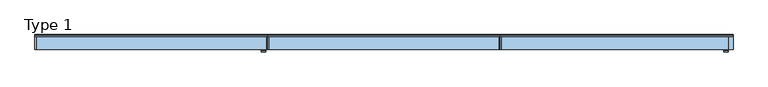
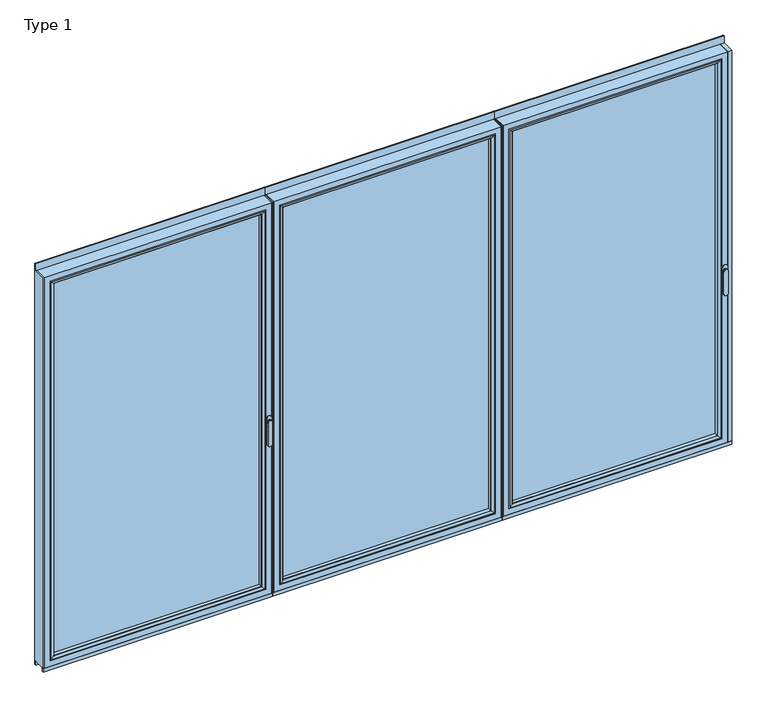
"""IFC4 building model written with IfcOpenShell, lengths in millimetres: window geometry, Type 1."""

from ifc_helpers import new_model, si_unit, point, frame, frame_2d, origin, place, context, project, spatial, polyline, circle_curve, ellipse_curve, trimmed, segment, composite_curve, outline, extrude, source, transform, mapped, element, save
from ifc_brep_helpers import plane_surface, cylinder_surface, extruded_surface, advanced_brep


def type_1_0e2c6d92(model_context):
    return source(origin(), model_context, "Body", "SolidModel", [
        advanced_brep(
        [(1855.5113692, -63.5, 1050.0), (1879.4886308, -63.5, 1050.0), (1879.4886308, -66.8965533, 1050.0), (1855.5113692, -66.8965533, 1050.0), (1855.5113692, -74.5, 1050.0), (1855.5113692, -74.5, 918.6867153), (1879.4886308, -74.5, 918.6867153), (1879.4886308, -74.5, 1050.0), (1879.4886308, -66.8965533, 918.6867153), (1855.5113692, -66.8965533, 918.6867153)],
        [
            (0, 1, circle_curve(frame((1867.5, -63.5, 1050.0), z_axis=(0.0, 1.0, 0.0), x_axis=(1.0, 0.0, 0.0)), 11.9886308)),
            (1, 0, circle_curve(frame((1867.5, -63.5, 1050.0), z_axis=(0.0, 1.0, 0.0), x_axis=(1.0, 0.0, 0.0)), 11.9886308)),
            (1, 2),
            (2, 3, circle_curve(frame((1867.5, -66.8965533, 1050.0), z_axis=(0.0, 1.0, 0.0), x_axis=(1.0, 0.0, 0.0)), 11.9886308)),
            (3, 0),
            (3, 2, circle_curve(frame((1867.5, -66.8965533, 1050.0), z_axis=(0.0, 1.0, 0.0), x_axis=(1.0, 0.0, 0.0)), 11.9886308)),
            (4, 5),
            (5, 6, ellipse_curve(frame((1867.5, -74.5, 918.6867153), z_axis=(0.0, -1.0, 0.0), x_axis=(-1.0, 0.0, 0.0)), 11.9886308, 7.9050795)),
            (6, 7),
            (7, 4, circle_curve(frame((1867.5, -74.5, 1050.0), z_axis=(0.0, -1.0, 0.0), x_axis=(1.0, 0.0, 0.0)), 11.9886308)),
            (2, 8),
            (8, 9, ellipse_curve(frame((1867.5, -66.8965533, 918.6867153), z_axis=(0.0, 1.0, 0.0), x_axis=(-1.0, 0.0, 0.0)), 11.9886308, 7.9050795)),
            (9, 3),
            (4, 3),
            (9, 5),
            (8, 6),
            (2, 7),
        ],
        [
            plane_surface(frame((1879.4886308, -63.5, 1050.0), z_axis=(0.0, 1.0, 0.0), x_axis=(0.0, 0.0, -1.0))),
            cylinder_surface(frame((1867.5, -63.5, 1050.0), z_axis=(0.0, -1.0, 0.0), x_axis=(1.0, 0.0, 0.0)), 11.9886308),
            plane_surface(frame((1855.5113692, -74.5, 928.3382074), z_axis=(0.0, -1.0, 0.0), x_axis=(0.0, 0.0, -1.0))),
            plane_surface(frame((1855.5113692, -66.8965533, 928.3382074), z_axis=(0.0, 1.0, 0.0), x_axis=(0.0, 0.0, 1.0))),
            plane_surface(frame((1855.5113692, -74.5, 1050.0), z_axis=(-1.0, 0.0, 0.0), x_axis=(0.0, 1.0, 0.0))),
            extruded_surface(trimmed(ellipse_curve(frame((1867.5, -59.2931066, 918.6867153), z_axis=(0.0, -1.0, 0.0), x_axis=(-1.0, 0.0, 0.0)), 11.9886308, 7.9050795), [point((1855.5113692, -59.2931066, 918.6867153))], [point((1879.4886308, -59.2931066, 918.6867153))], True, "CARTESIAN"), (0.0, -7.603446699999992, 0.0), 7.603446699999992),
            plane_surface(frame((1879.4886308, -74.5, 918.6867153), z_axis=(1.0, 0.0, 0.0), x_axis=(0.0, 1.0, 0.0))),
            cylinder_surface(frame((1867.5, -66.8965533, 1050.0), z_axis=(0.0, -1.0, 0.0), x_axis=(1.0, 0.0, 0.0)), 11.9886308),
        ],
        [
            (0, [[1, 2]]),
            (1, [[-2, 3, 4, 5]]),
            (1, [[-1, -5, 6, -3]]),
            (2, [[7, 8, 9, 10]]),
            (3, [[11, 12, 13, -4]]),
            (4, [[-7, 14, -13, 15]]),
            (5, [[-8, -15, -12, 16]]),
            (6, [[-9, -16, -11, 17]]),
            (7, [[-10, -17, -6, -14]]),
        ],
    ),
        extrude(outline(composite_curve([segment(polyline([(1068.75, 1853.5), (1031.25, 1853.5)]), True, "CONTINUOUS"), segment(trimmed(circle_curve(frame_2d((1031.25, 1867.5)), 14.0), [point((1031.25, 1853.5))], [point((1031.25, 1881.5))], False, "CARTESIAN"), True, "CONTINUOUS"), segment(polyline([(1031.25, 1881.5), (1068.75, 1881.5)]), True, "CONTINUOUS"), segment(trimmed(circle_curve(frame_2d((1068.75, 1867.5)), 14.0), [point((1068.75, 1881.5))], [point((1068.75, 1853.5))], False, "CARTESIAN"), True, "CONTINUOUS")], self_intersect=False)), frame((0.0, -63.5, 0.0), z_axis=(0.0, 1.0, 0.0), x_axis=(0.0, 0.0, 1.0)), (0.0, 0.0, 1.0), 3.5),
        extrude(outline(polyline([(635.3333333, 20.0), (641.3333333, 20.0), (641.3333333, -60.0), (635.3333333, -60.0), (635.3333333, 20.0)])), frame((0.0, 0.0, 37.5), z_axis=(0.0, 0.0, 1.0), x_axis=(1.0, 0.0, 0.0)), (0.0, 0.0, 1.0), 2286.5),
        extrude(outline(polyline([(1906.0, 20.0), (1906.0, -60.0), (1883.5, -60.0), (1883.5, 20.0), (1906.0, 20.0)])), frame((0.0, 0.0, 37.5), z_axis=(0.0, 0.0, 1.0), x_axis=(1.0, 0.0, 0.0)), (0.0, 0.0, 1.0), 2286.5),
        advanced_brep(
        [(641.3333333, -60.0, 2324.0), (641.3333333, 20.0, 2324.0), (641.3333333, 20.0, 37.5), (641.3333333, -60.0, 37.5), (1883.5, 20.0, 37.5), (1883.5, -60.0, 37.5), (1883.5, 20.0, 2324.0), (1838.0003707, 20.0, 82.9996293), (1838.0003707, 20.0, 2278.5003707), (686.8329626, 20.0, 2278.5003707), (686.8329626, 20.0, 82.9996293), (1883.5, -60.0, 2324.0), (673.3333333, -60.0, 69.5), (673.3333333, -60.0, 2292.0), (1851.5, -60.0, 2292.0), (1851.5, -60.0, 69.5), (673.3333333, 3.9999997, 2292.0), (673.3333333, 3.9999997, 69.5), (1851.5, 3.9999997, 69.5), (1851.5, 3.9999997, 2292.0), (691.3333453, 3.9999997, 87.500012), (691.3333453, 3.9999997, 2273.999988), (1833.499988, 3.9999997, 2273.999988), (1833.499988, 3.9999997, 87.500012), (691.3333453, 15.4995565, 2273.999988), (691.3333453, 15.4995565, 87.500012), (1833.499988, 15.4995565, 87.500012), (1833.499988, 15.4995565, 2273.999988)],
        [
            (0, 1),
            (1, 2),
            (2, 3),
            (3, 0),
            (2, 4),
            (4, 5),
            (5, 3),
            (1, 6),
            (6, 4),
            (7, 8),
            (8, 9),
            (9, 10),
            (10, 7),
            (6, 11),
            (11, 5),
            (11, 0),
            (12, 13),
            (13, 14),
            (14, 15),
            (15, 12),
            (16, 13),
            (12, 17),
            (17, 16),
            (15, 18),
            (18, 17),
            (14, 19),
            (19, 18),
            (19, 16),
            (20, 21),
            (21, 22),
            (22, 23),
            (23, 20),
            (24, 21),
            (20, 25),
            (25, 24),
            (23, 26),
            (26, 25),
            (22, 27),
            (27, 26),
            (10, 25, ellipse_curve(frame((686.8329626, 15.4995565, 82.9996293), z_axis=(0.7071067811865475, 0.0, -0.7071067811865475), x_axis=(-0.7071067811865476, 0.0, -0.7071067811865474)), 6.3645023, 4.5003827)),
            (26, 7, ellipse_curve(frame((1838.0003707, 15.4995565, 82.9996293), z_axis=(-0.7071067811865475, 0.0, -0.7071067811865475), x_axis=(-0.7071067811865476, 0.0, 0.7071067811865474)), 6.3645023, 4.5003827)),
            (9, 24, ellipse_curve(frame((686.8329626, 15.4995565, 2278.5003707), z_axis=(-0.7071067811865475, 0.0, -0.7071067811865475), x_axis=(-0.7071067811865474, 0.0, 0.7071067811865476)), 6.3645023, 4.5003827)),
            (27, 8, ellipse_curve(frame((1838.0003707, 15.4995565, 2278.5003707), z_axis=(0.7071067811865475, 0.0, -0.7071067811865475), x_axis=(-0.7071067811865474, 0.0, -0.7071067811865476)), 6.3645023, 4.5003827)),
            (24, 27),
        ],
        [
            plane_surface(frame((641.3333333, 20.0, 2324.0), z_axis=(-1.0, 0.0, 0.0), x_axis=(0.0, 0.0, -1.0))),
            plane_surface(frame((641.3333333, 20.0, 37.5), z_axis=(0.0, 0.0, -1.0), x_axis=(1.0, 0.0, 0.0))),
            plane_surface(frame((686.8329626, 20.0, 2278.5003707), z_axis=(0.0, 1.0, 0.0), x_axis=(0.0, 0.0, -1.0))),
            plane_surface(frame((1883.5, 20.0, 37.5), z_axis=(1.0, 0.0, 0.0), x_axis=(0.0, 0.0, 1.0))),
            plane_surface(frame((641.3333333, -60.0, 2324.0), z_axis=(0.0, -1.0, 0.0), x_axis=(0.0, 0.0, -1.0))),
            plane_surface(frame((673.3333333, -60.0, 2292.0), z_axis=(1.0, 0.0, 0.0), x_axis=(0.0, 0.0, -1.0))),
            plane_surface(frame((673.3333333, -60.0, 69.5), z_axis=(0.0, 0.0, 1.0), x_axis=(1.0, 0.0, 0.0))),
            plane_surface(frame((1851.5, -60.0, 69.5), z_axis=(-1.0, 0.0, 0.0), x_axis=(0.0, 0.0, 1.0))),
            plane_surface(frame((673.3333333, 3.9999997, 2292.0), z_axis=(0.0, -1.0, 0.0), x_axis=(0.0, 0.0, -1.0))),
            plane_surface(frame((691.3333453, 3.9999997, 2273.999988), z_axis=(1.0, 0.0, 0.0), x_axis=(0.0, 0.0, -1.0))),
            plane_surface(frame((691.3333453, 3.9999997, 87.500012), z_axis=(0.0, 0.0, 1.0), x_axis=(1.0, 0.0, 0.0))),
            plane_surface(frame((1833.499988, 3.9999997, 87.500012), z_axis=(-1.0, 0.0, 0.0), x_axis=(0.0, 0.0, 1.0))),
            cylinder_surface(frame((635.3333333, 15.4995565, 82.9996293), z_axis=(-1.0, 0.0, 0.0), x_axis=(0.0, -1.0, 0.0)), 4.5003827),
            cylinder_surface(frame((686.8329626, 15.4995565, 2330.0), z_axis=(0.0, 0.0, 1.0), x_axis=(0.0, -1.0, 0.0)), 4.5003827),
            cylinder_surface(frame((1838.0003707, 15.4995565, 31.5), z_axis=(0.0, 0.0, -1.0), x_axis=(0.0, -1.0, 0.0)), 4.5003827),
            plane_surface(frame((1883.5, 20.0, 2324.0), z_axis=(0.0, 0.0, 1.0), x_axis=(-1.0, 0.0, 0.0))),
            plane_surface(frame((1851.5, -60.0, 2292.0), z_axis=(0.0, 0.0, -1.0), x_axis=(-1.0, 0.0, 0.0))),
            plane_surface(frame((1833.499988, 3.9999997, 2273.999988), z_axis=(0.0, 0.0, -1.0), x_axis=(-1.0, 0.0, 0.0))),
            cylinder_surface(frame((1889.5, 15.4995565, 2278.5003707), z_axis=(1.0, 0.0, 0.0), x_axis=(0.0, -1.0, 0.0)), 4.5003827),
        ],
        [
            (0, [[1, 2, 3, 4]]),
            (1, [[-3, 5, 6, 7]]),
            (2, [[-2, 8, 9, -5], [10, 11, 12, 13]]),
            (3, [[-6, -9, 14, 15]]),
            (4, [[-15, 16, -4, -7], [17, 18, 19, 20]]),
            (5, [[21, -17, 22, 23]]),
            (6, [[-22, -20, 24, 25]]),
            (7, [[-24, -19, 26, 27]]),
            (8, [[-27, 28, -23, -25], [29, 30, 31, 32]]),
            (9, [[33, -29, 34, 35]]),
            (10, [[-34, -32, 36, 37]]),
            (11, [[-36, -31, 38, 39]]),
            (12, [[40, -37, 41, -13]]),
            (13, [[42, -35, -40, -12]]),
            (14, [[-41, -39, 43, -10]]),
            (15, [[-14, -8, -1, -16]]),
            (16, [[-26, -18, -21, -28]]),
            (17, [[-38, -30, -33, 44]]),
            (18, [[-43, -44, -42, -11]]),
        ],
    ),
        extrude(outline(polyline([(673.3336505, 3.9999997), (1851.4996828, 3.9999997), (1851.4996828, -34.0000003), (673.3336505, -34.0000003), (673.3336505, 3.9999997)])), frame((0.0, 0.0, 69.5003172), z_axis=(0.0, 0.0, 1.0), x_axis=(1.0, 0.0, 0.0)), (0.0, 0.0, 1.0), 2222.4993657),
        advanced_brep(
        [(1829.5001101, -54.5552044, 2270.0001101), (1829.5001101, -34.0000003, 2270.0001101), (1829.5001101, -34.0000003, 91.4998899), (1829.5001101, -54.5552044, 91.4998899), (1851.4996828, -34.0000003, 2291.9996828), (1851.4996828, -34.0000003, 69.5003172), (673.3336505, -34.0000003, 69.5003172), (673.3336505, -34.0000003, 2291.9996828), (695.3332232, -34.0000003, 2270.0001101), (695.3332232, -34.0000003, 91.4998899), (695.3332232, -54.5552044, 91.4998899), (1830.2096535, -55.8045072, 2270.7096535), (1830.2096535, -55.8045072, 90.7903465), (694.6236798, -55.8045072, 90.7903465), (1845.4997439, -60.0, 2285.9997439), (1845.4997439, -60.0, 75.5002561), (679.3335894, -60.0, 75.5002561), (673.3336505, -60.0, 2291.9996828), (673.3336505, -60.0, 69.5003172), (1851.4996828, -60.0, 69.5003172), (1851.4996828, -60.0, 2291.9996828), (679.3335894, -60.0, 2285.9997439), (695.3332232, -54.5552044, 2270.0001101), (694.6236798, -55.8045072, 2270.7096535)],
        [
            (0, 1),
            (1, 2),
            (2, 3),
            (3, 0),
            (4, 5),
            (5, 6),
            (6, 7),
            (7, 4),
            (8, 9),
            (9, 2),
            (1, 8),
            (9, 10),
            (10, 3),
            (11, 0, ellipse_curve(frame((1830.9547141, -54.5552044, 2271.4547141), z_axis=(0.7071067811865475, 0.0, -0.7071067811865475), x_axis=(0.7071067811865474, 0.0, 0.7071067811865476)), 2.0571207, 1.454604)),
            (3, 12, ellipse_curve(frame((1830.9547141, -54.5552044, 90.0452859), z_axis=(0.7071067811865475, 0.0, 0.7071067811865475), x_axis=(-0.7071067811865474, 0.0, 0.7071067811865476)), 2.0571207, 1.454604)),
            (12, 11),
            (10, 13, ellipse_curve(frame((693.8786193, -54.5552044, 90.0452859), z_axis=(0.7071067811865475, 0.0, -0.7071067811865475), x_axis=(0.7071067811865476, 0.0, 0.7071067811865474)), 2.0571207, 1.454604)),
            (13, 12),
            (14, 11, ellipse_curve(frame((1845.4358083, -30.2735922, 2285.9358083), z_axis=(0.7071067811865475, 0.0, -0.7071067811865475), x_axis=(0.7071067811865474, 0.0, 0.7071067811865476)), 42.0395863, 29.7264765)),
            (12, 15, ellipse_curve(frame((1845.4358083, -30.2735922, 75.5641917), z_axis=(0.7071067811865475, 0.0, 0.7071067811865475), x_axis=(-0.7071067811865474, 0.0, 0.7071067811865476)), 42.0395863, 29.7264765)),
            (15, 14),
            (13, 16, ellipse_curve(frame((679.397525, -30.2735922, 75.5641917), z_axis=(0.7071067811865475, 0.0, -0.7071067811865475), x_axis=(0.7071067811865476, 0.0, 0.7071067811865474)), 42.0395863, 29.7264765)),
            (16, 15),
            (17, 18),
            (18, 19),
            (19, 20),
            (20, 17),
            (16, 21),
            (21, 14),
            (4, 20),
            (19, 5),
            (18, 6),
            (8, 22),
            (22, 10),
            (22, 23, ellipse_curve(frame((693.8786193, -54.5552044, 2271.4547141), z_axis=(-0.7071067811865475, 0.0, -0.7071067811865475), x_axis=(0.7071067811865474, 0.0, -0.7071067811865476)), 2.0571207, 1.454604)),
            (23, 13),
            (23, 21, ellipse_curve(frame((679.397525, -30.2735922, 2285.9358083), z_axis=(-0.7071067811865475, 0.0, -0.7071067811865475), x_axis=(0.7071067811865474, 0.0, -0.7071067811865476)), 42.0395863, 29.7264765)),
            (17, 7),
            (0, 22),
            (11, 23),
        ],
        [
            plane_surface(frame((1829.5001101, -34.0000003, 2270.0001101), z_axis=(-1.0, 0.0, 0.0), x_axis=(0.0, 0.0, -1.0))),
            plane_surface(frame((673.3336505, -34.0000003, 69.5003172), z_axis=(0.0, 1.0, 0.0), x_axis=(0.0, 0.0, 1.0))),
            plane_surface(frame((1829.5001101, -34.0000003, 91.4998899), z_axis=(0.0, 0.0, 1.0), x_axis=(-1.0, 0.0, 0.0))),
            cylinder_surface(frame((1830.9547141, -54.5552044, 2273.999988), z_axis=(0.0, 0.0, 1.0), x_axis=(1.0, 0.0, 0.0)), 1.454604),
            cylinder_surface(frame((1833.499988, -54.5552044, 90.0452859), z_axis=(1.0, 0.0, 0.0), x_axis=(0.0, 0.0, -1.0)), 1.454604),
            cylinder_surface(frame((1845.4358083, -30.2735922, 2273.999988), z_axis=(0.0, 0.0, 1.0), x_axis=(1.0, 0.0, 0.0)), 29.7264765),
            cylinder_surface(frame((1833.499988, -30.2735922, 75.5641917), z_axis=(1.0, 0.0, 0.0), x_axis=(0.0, 0.0, -1.0)), 29.7264765),
            plane_surface(frame((679.3335894, -60.0, 75.5002561), z_axis=(0.0, -1.0, 0.0), x_axis=(0.0, 0.0, 1.0))),
            plane_surface(frame((1851.4996828, -60.0, 2291.9996828), z_axis=(1.0, 0.0, 0.0), x_axis=(0.0, 0.0, -1.0))),
            plane_surface(frame((1851.4996828, -60.0, 69.5003172), z_axis=(0.0, 0.0, -1.0), x_axis=(-1.0, 0.0, 0.0))),
            plane_surface(frame((695.3332232, -34.0000003, 91.4998899), z_axis=(1.0, 0.0, 0.0), x_axis=(0.0, 0.0, 1.0))),
            cylinder_surface(frame((693.8786193, -54.5552044, 87.500012), z_axis=(0.0, 0.0, -1.0), x_axis=(-1.0, 0.0, 0.0)), 1.454604),
            cylinder_surface(frame((679.397525, -30.2735922, 87.500012), z_axis=(0.0, 0.0, -1.0), x_axis=(-1.0, 0.0, 0.0)), 29.7264765),
            plane_surface(frame((673.3336505, -60.0, 69.5003172), z_axis=(-1.0, 0.0, 0.0), x_axis=(0.0, 0.0, 1.0))),
            plane_surface(frame((695.3332232, -34.0000003, 2270.0001101), z_axis=(0.0, 0.0, -1.0), x_axis=(1.0, 0.0, 0.0))),
            cylinder_surface(frame((691.3333453, -54.5552044, 2271.4547141), z_axis=(-1.0, 0.0, 0.0), x_axis=(0.0, 0.0, 1.0)), 1.454604),
            cylinder_surface(frame((691.3333453, -30.2735922, 2285.9358083), z_axis=(-1.0, 0.0, 0.0), x_axis=(0.0, 0.0, 1.0)), 29.7264765),
            plane_surface(frame((673.3336505, -60.0, 2291.9996828), z_axis=(0.0, 0.0, 1.0), x_axis=(1.0, 0.0, 0.0))),
        ],
        [
            (0, [[1, 2, 3, 4]]),
            (1, [[5, 6, 7, 8], [9, 10, -2, 11]]),
            (2, [[-3, -10, 12, 13]]),
            (3, [[14, -4, 15, 16]]),
            (4, [[-15, -13, 17, 18]]),
            (5, [[19, -16, 20, 21]]),
            (6, [[-20, -18, 22, 23]]),
            (7, [[24, 25, 26, 27], [-21, -23, 28, 29]]),
            (8, [[30, -26, 31, -5]]),
            (9, [[-31, -25, 32, -6]]),
            (10, [[-12, -9, 33, 34]]),
            (11, [[-17, -34, 35, 36]]),
            (12, [[-22, -36, 37, -28]]),
            (13, [[-32, -24, 38, -7]]),
            (14, [[-33, -11, -1, 39]]),
            (15, [[-35, -39, -14, 40]]),
            (16, [[-37, -40, -19, -29]]),
            (17, [[-38, -27, -30, -8]]),
        ],
    ),
        extrude(outline(composite_curve([segment(polyline([(20.0, 2362.5), (20.0, 2324.0), (10.0, 2324.0), (10.0, 2365.0), (17.5, 2365.0)]), True, "CONTINUOUS"), segment(trimmed(circle_curve(frame_2d((17.5, 2362.5)), 2.5), [point((17.5, 2365.0))], [point((20.0, 2362.5))], False, "CARTESIAN"), True, "CONTINUOUS")], self_intersect=False)), frame((635.3333333, 0.0, 0.0), z_axis=(1.0, 0.0, 0.0), x_axis=(0.0, 1.0, 0.0)), (0.0, 0.0, 1.0), 1270.6666667),
        extrude(outline(polyline([(1906.0, 20.0), (1906.0, 10.0), (635.3333333, 10.0), (635.3333333, 20.0), (1906.0, 20.0)])), frame((0.0, 0.0, 15.5), z_axis=(0.0, 0.0, 1.0), x_axis=(1.0, 0.0, 0.0)), (0.0, 0.0, 1.0), 22.0),
        extrude(outline(polyline([(1906.0, -50.0), (1906.0, -60.0), (635.3333333, -60.0), (635.3333333, -50.0), (1906.0, -50.0)])), frame((0.0, 0.0, 15.5), z_axis=(0.0, 0.0, 1.0), x_axis=(1.0, 0.0, 0.0)), (0.0, 0.0, 1.0), 22.0),
        extrude(outline(polyline([(635.3333333, 20.0), (635.3333333, -60.0), (629.3333333, -60.0), (629.3333333, 20.0), (635.3333333, 20.0)])), frame((0.0, 0.0, 37.5), z_axis=(0.0, 0.0, 1.0), x_axis=(1.0, 0.0, 0.0)), (0.0, 0.0, 1.0), 2286.5),
        extrude(outline(polyline([(-635.3333333, 20.0), (-629.3333333, 20.0), (-629.3333333, -60.0), (-635.3333333, -60.0), (-635.3333333, 20.0)])), frame((0.0, 0.0, 37.5), z_axis=(0.0, 0.0, 1.0), x_axis=(1.0, 0.0, 0.0)), (0.0, 0.0, 1.0), 2286.5),
        advanced_brep(
        [(629.3333333, -60.0, 2324.0), (629.3333333, -60.0, 37.5), (629.3333333, 20.0, 37.5), (629.3333333, 20.0, 2324.0), (-629.3333333, -60.0, 37.5), (-629.3333333, 20.0, 37.5), (-629.3333333, 20.0, 2324.0), (-583.8337041, 20.0, 82.9996293), (583.8337041, 20.0, 82.9996293), (583.8337041, 20.0, 2278.5003707), (-583.8337041, 20.0, 2278.5003707), (-629.3333333, -60.0, 2324.0), (597.3333333, -60.0, 69.5), (-597.3333333, -60.0, 69.5), (-597.3333333, -60.0, 2292.0), (597.3333333, -60.0, 2292.0), (597.3333333, 3.9999997, 2292.0), (597.3333333, 3.9999997, 69.5), (-597.3333333, 3.9999997, 69.5), (-597.3333333, 3.9999997, 2292.0), (579.3333214, 3.9999997, 87.500012), (-579.3333214, 3.9999997, 87.500012), (-579.3333214, 3.9999997, 2273.999988), (579.3333214, 3.9999997, 2273.999988), (579.3333214, 15.4995565, 2273.999988), (579.3333214, 15.4995565, 87.500012), (-579.3333214, 15.4995565, 87.500012), (-579.3333214, 15.4995565, 2273.999988)],
        [
            (0, 1),
            (1, 2),
            (2, 3),
            (3, 0),
            (1, 4),
            (4, 5),
            (5, 2),
            (5, 6),
            (6, 3),
            (7, 8),
            (8, 9),
            (9, 10),
            (10, 7),
            (4, 11),
            (11, 6),
            (0, 11),
            (12, 13),
            (13, 14),
            (14, 15),
            (15, 12),
            (16, 17),
            (17, 12),
            (15, 16),
            (17, 18),
            (18, 13),
            (18, 19),
            (19, 14),
            (16, 19),
            (20, 21),
            (21, 22),
            (22, 23),
            (23, 20),
            (24, 25),
            (25, 20),
            (23, 24),
            (25, 26),
            (26, 21),
            (26, 27),
            (27, 22),
            (7, 26, ellipse_curve(frame((-583.8337041, 15.4995565, 82.9996293), z_axis=(0.7071067811865475, 0.0, -0.7071067811865475), x_axis=(0.7071067811865476, 0.0, 0.7071067811865474)), 6.3645023, 4.5003827)),
            (25, 8, ellipse_curve(frame((583.8337041, 15.4995565, 82.9996293), z_axis=(-0.7071067811865475, 0.0, -0.7071067811865475), x_axis=(0.7071067811865476, 0.0, -0.7071067811865474)), 6.3645023, 4.5003827)),
            (24, 9, ellipse_curve(frame((583.8337041, 15.4995565, 2278.5003707), z_axis=(0.7071067811865475, 0.0, -0.7071067811865475), x_axis=(0.7071067811865474, 0.0, 0.7071067811865476)), 6.3645023, 4.5003827)),
            (10, 27, ellipse_curve(frame((-583.8337041, 15.4995565, 2278.5003707), z_axis=(-0.7071067811865475, 0.0, -0.7071067811865475), x_axis=(0.7071067811865474, 0.0, -0.7071067811865476)), 6.3645023, 4.5003827)),
            (27, 24),
        ],
        [
            plane_surface(frame((629.3333333, 20.0, 2324.0), z_axis=(1.0, 0.0, 0.0), x_axis=(0.0, 0.0, -1.0))),
            plane_surface(frame((629.3333333, 20.0, 37.5), z_axis=(0.0, 0.0, -1.0), x_axis=(-1.0, 0.0, 0.0))),
            plane_surface(frame((583.8337041, 20.0, 2278.5003707), z_axis=(0.0, 1.0, 0.0), x_axis=(0.0, 0.0, -1.0))),
            plane_surface(frame((-629.3333333, 20.0, 37.5), z_axis=(-1.0, 0.0, 0.0), x_axis=(0.0, 0.0, 1.0))),
            plane_surface(frame((629.3333333, -60.0, 2324.0), z_axis=(0.0, -1.0, 0.0), x_axis=(0.0, 0.0, -1.0))),
            plane_surface(frame((597.3333333, -60.0, 2292.0), z_axis=(-1.0, 0.0, 0.0), x_axis=(0.0, 0.0, -1.0))),
            plane_surface(frame((597.3333333, -60.0, 69.5), z_axis=(0.0, 0.0, 1.0), x_axis=(-1.0, 0.0, 0.0))),
            plane_surface(frame((-597.3333333, -60.0, 69.5), z_axis=(1.0, 0.0, 0.0), x_axis=(0.0, 0.0, 1.0))),
            plane_surface(frame((597.3333333, 3.9999997, 2292.0), z_axis=(0.0, -1.0, 0.0), x_axis=(0.0, 0.0, -1.0))),
            plane_surface(frame((579.3333214, 3.9999997, 2273.999988), z_axis=(-1.0, 0.0, 0.0), x_axis=(0.0, 0.0, -1.0))),
            plane_surface(frame((579.3333214, 3.9999997, 87.500012), z_axis=(0.0, 0.0, 1.0), x_axis=(-1.0, 0.0, 0.0))),
            plane_surface(frame((-579.3333214, 3.9999997, 87.500012), z_axis=(1.0, 0.0, 0.0), x_axis=(0.0, 0.0, 1.0))),
            cylinder_surface(frame((635.3333333, 15.4995565, 82.9996293), z_axis=(1.0, 0.0, 0.0), x_axis=(0.0, -1.0, 0.0)), 4.5003827),
            cylinder_surface(frame((583.8337041, 15.4995565, 2330.0), z_axis=(0.0, 0.0, 1.0), x_axis=(0.0, -1.0, 0.0)), 4.5003827),
            cylinder_surface(frame((-583.8337041, 15.4995565, 31.5), z_axis=(0.0, 0.0, -1.0), x_axis=(0.0, -1.0, 0.0)), 4.5003827),
            plane_surface(frame((-629.3333333, 20.0, 2324.0), z_axis=(0.0, 0.0, 1.0), x_axis=(1.0, 0.0, 0.0))),
            plane_surface(frame((-597.3333333, -60.0, 2292.0), z_axis=(0.0, 0.0, -1.0), x_axis=(1.0, 0.0, 0.0))),
            plane_surface(frame((-579.3333214, 3.9999997, 2273.999988), z_axis=(0.0, 0.0, -1.0), x_axis=(1.0, 0.0, 0.0))),
            cylinder_surface(frame((-635.3333333, 15.4995565, 2278.5003707), z_axis=(-1.0, 0.0, 0.0), x_axis=(0.0, -1.0, 0.0)), 4.5003827),
        ],
        [
            (0, [[1, 2, 3, 4]]),
            (1, [[5, 6, 7, -2]]),
            (2, [[-7, 8, 9, -3], [10, 11, 12, 13]]),
            (3, [[14, 15, -8, -6]]),
            (4, [[-5, -1, 16, -14], [17, 18, 19, 20]]),
            (5, [[21, 22, -20, 23]]),
            (6, [[24, 25, -17, -22]]),
            (7, [[26, 27, -18, -25]]),
            (8, [[-24, -21, 28, -26], [29, 30, 31, 32]]),
            (9, [[33, 34, -32, 35]]),
            (10, [[36, 37, -29, -34]]),
            (11, [[38, 39, -30, -37]]),
            (12, [[-10, 40, -36, 41]]),
            (13, [[-11, -41, -33, 42]]),
            (14, [[-13, 43, -38, -40]]),
            (15, [[-16, -4, -9, -15]]),
            (16, [[-28, -23, -19, -27]]),
            (17, [[44, -35, -31, -39]]),
            (18, [[-12, -42, -44, -43]]),
        ],
    ),
        extrude(outline(polyline([(597.3330162, 3.9999997), (597.3330162, -34.0000003), (-597.3330162, -34.0000003), (-597.3330162, 3.9999997), (597.3330162, 3.9999997)])), frame((0.0, 0.0, 69.5003172), z_axis=(0.0, 0.0, 1.0), x_axis=(1.0, 0.0, 0.0)), (0.0, 0.0, 1.0), 2222.4993657),
        advanced_brep(
        [(-575.3334434, -54.5552044, 2270.0001101), (-575.3334434, -54.5552044, 91.4998899), (-575.3334434, -34.0000003, 91.4998899), (-575.3334434, -34.0000003, 2270.0001101), (-597.3330162, -34.0000003, 2291.9996828), (597.3330162, -34.0000003, 2291.9996828), (597.3330162, -34.0000003, 69.5003172), (-597.3330162, -34.0000003, 69.5003172), (575.3334434, -34.0000003, 2270.0001101), (575.3334434, -34.0000003, 91.4998899), (575.3334434, -54.5552044, 91.4998899), (-576.0429868, -55.8045072, 2270.7096535), (-576.0429868, -55.8045072, 90.7903465), (576.0429868, -55.8045072, 90.7903465), (-591.3330772, -60.0, 2285.9997439), (-591.3330772, -60.0, 75.5002561), (591.3330772, -60.0, 75.5002561), (597.3330162, -60.0, 2291.9996828), (-597.3330162, -60.0, 2291.9996828), (-597.3330162, -60.0, 69.5003172), (597.3330162, -60.0, 69.5003172), (591.3330772, -60.0, 2285.9997439), (575.3334434, -54.5552044, 2270.0001101), (576.0429868, -55.8045072, 2270.7096535)],
        [
            (0, 1),
            (1, 2),
            (2, 3),
            (3, 0),
            (4, 5),
            (5, 6),
            (6, 7),
            (7, 4),
            (8, 3),
            (2, 9),
            (9, 8),
            (1, 10),
            (10, 9),
            (11, 12),
            (12, 1, ellipse_curve(frame((-576.7880474, -54.5552044, 90.0452859), z_axis=(-0.7071067811865475, 0.0, 0.7071067811865475), x_axis=(0.7071067811865474, 0.0, 0.7071067811865476)), 2.0571207, 1.454604)),
            (0, 11, ellipse_curve(frame((-576.7880474, -54.5552044, 2271.4547141), z_axis=(-0.7071067811865475, 0.0, -0.7071067811865475), x_axis=(-0.7071067811865474, 0.0, 0.7071067811865476)), 2.0571207, 1.454604)),
            (12, 13),
            (13, 10, ellipse_curve(frame((576.7880474, -54.5552044, 90.0452859), z_axis=(-0.7071067811865475, 0.0, -0.7071067811865475), x_axis=(-0.7071067811865476, 0.0, 0.7071067811865474)), 2.0571207, 1.454604)),
            (14, 15),
            (15, 12, ellipse_curve(frame((-591.2691416, -30.2735922, 75.5641917), z_axis=(-0.7071067811865475, 0.0, 0.7071067811865475), x_axis=(0.7071067811865474, 0.0, 0.7071067811865476)), 42.0395863, 29.7264765)),
            (11, 14, ellipse_curve(frame((-591.2691416, -30.2735922, 2285.9358083), z_axis=(-0.7071067811865475, 0.0, -0.7071067811865475), x_axis=(-0.7071067811865474, 0.0, 0.7071067811865476)), 42.0395863, 29.7264765)),
            (15, 16),
            (16, 13, ellipse_curve(frame((591.2691416, -30.2735922, 75.5641917), z_axis=(-0.7071067811865475, 0.0, -0.7071067811865475), x_axis=(-0.7071067811865476, 0.0, 0.7071067811865474)), 42.0395863, 29.7264765)),
            (17, 18),
            (18, 19),
            (19, 20),
            (20, 17),
            (14, 21),
            (21, 16),
            (7, 19),
            (18, 4),
            (6, 20),
            (10, 22),
            (22, 8),
            (13, 23),
            (23, 22, ellipse_curve(frame((576.7880474, -54.5552044, 2271.4547141), z_axis=(0.7071067811865475, 0.0, -0.7071067811865475), x_axis=(-0.7071067811865474, 0.0, -0.7071067811865476)), 2.0571207, 1.454604)),
            (21, 23, ellipse_curve(frame((591.2691416, -30.2735922, 2285.9358083), z_axis=(0.7071067811865475, 0.0, -0.7071067811865475), x_axis=(-0.7071067811865474, 0.0, -0.7071067811865476)), 42.0395863, 29.7264765)),
            (5, 17),
            (22, 0),
            (23, 11),
        ],
        [
            plane_surface(frame((-575.3334434, -34.0000003, 2270.0001101), z_axis=(1.0, 0.0, 0.0), x_axis=(0.0, 0.0, -1.0))),
            plane_surface(frame((597.3330162, -34.0000003, 69.5003172), z_axis=(0.0, 1.0, 0.0), x_axis=(0.0, 0.0, 1.0))),
            plane_surface(frame((-575.3334434, -34.0000003, 91.4998899), z_axis=(0.0, 0.0, 1.0), x_axis=(1.0, 0.0, 0.0))),
            cylinder_surface(frame((-576.7880474, -54.5552044, 2273.999988), z_axis=(0.0, 0.0, 1.0), x_axis=(-1.0, 0.0, 0.0)), 1.454604),
            cylinder_surface(frame((-579.3333214, -54.5552044, 90.0452859), z_axis=(-1.0, 0.0, 0.0), x_axis=(0.0, 0.0, -1.0)), 1.454604),
            cylinder_surface(frame((-591.2691416, -30.2735922, 2273.999988), z_axis=(0.0, 0.0, 1.0), x_axis=(-1.0, 0.0, 0.0)), 29.7264765),
            cylinder_surface(frame((-579.3333214, -30.2735922, 75.5641917), z_axis=(-1.0, 0.0, 0.0), x_axis=(0.0, 0.0, -1.0)), 29.7264765),
            plane_surface(frame((591.3330772, -60.0, 75.5002561), z_axis=(0.0, -1.0, 0.0), x_axis=(0.0, 0.0, 1.0))),
            plane_surface(frame((-597.3330162, -60.0, 2291.9996828), z_axis=(-1.0, 0.0, 0.0), x_axis=(0.0, 0.0, -1.0))),
            plane_surface(frame((-597.3330162, -60.0, 69.5003172), z_axis=(0.0, 0.0, -1.0), x_axis=(1.0, 0.0, 0.0))),
            plane_surface(frame((575.3334434, -34.0000003, 91.4998899), z_axis=(-1.0, 0.0, 0.0), x_axis=(0.0, 0.0, 1.0))),
            cylinder_surface(frame((576.7880474, -54.5552044, 87.500012), z_axis=(0.0, 0.0, -1.0), x_axis=(1.0, 0.0, 0.0)), 1.454604),
            cylinder_surface(frame((591.2691416, -30.2735922, 87.500012), z_axis=(0.0, 0.0, -1.0), x_axis=(1.0, 0.0, 0.0)), 29.7264765),
            plane_surface(frame((597.3330162, -60.0, 69.5003172), z_axis=(1.0, 0.0, 0.0), x_axis=(0.0, 0.0, 1.0))),
            plane_surface(frame((575.3334434, -34.0000003, 2270.0001101), z_axis=(0.0, 0.0, -1.0), x_axis=(-1.0, 0.0, 0.0))),
            cylinder_surface(frame((579.3333214, -54.5552044, 2271.4547141), z_axis=(1.0, 0.0, 0.0), x_axis=(0.0, 0.0, 1.0)), 1.454604),
            cylinder_surface(frame((579.3333214, -30.2735922, 2285.9358083), z_axis=(1.0, 0.0, 0.0), x_axis=(0.0, 0.0, 1.0)), 29.7264765),
            plane_surface(frame((597.3330162, -60.0, 2291.9996828), z_axis=(0.0, 0.0, 1.0), x_axis=(-1.0, 0.0, 0.0))),
        ],
        [
            (0, [[1, 2, 3, 4]]),
            (1, [[5, 6, 7, 8], [9, -3, 10, 11]]),
            (2, [[12, 13, -10, -2]]),
            (3, [[14, 15, -1, 16]]),
            (4, [[17, 18, -12, -15]]),
            (5, [[19, 20, -14, 21]]),
            (6, [[22, 23, -17, -20]]),
            (7, [[24, 25, 26, 27], [28, 29, -22, -19]]),
            (8, [[-8, 30, -25, 31]]),
            (9, [[-7, 32, -26, -30]]),
            (10, [[33, 34, -11, -13]]),
            (11, [[35, 36, -33, -18]]),
            (12, [[-29, 37, -35, -23]]),
            (13, [[-6, 38, -27, -32]]),
            (14, [[39, -4, -9, -34]]),
            (15, [[40, -16, -39, -36]]),
            (16, [[-28, -21, -40, -37]]),
            (17, [[-5, -31, -24, -38]]),
        ],
    ),
        extrude(outline(composite_curve([segment(polyline([(20.0, 2362.5), (20.0, 2324.0), (10.0, 2324.0), (10.0, 2365.0), (17.5, 2365.0)]), True, "CONTINUOUS"), segment(trimmed(circle_curve(frame_2d((17.5, 2362.5)), 2.5), [point((17.5, 2365.0))], [point((20.0, 2362.5))], False, "CARTESIAN"), True, "CONTINUOUS")], self_intersect=False)), frame((-635.3333333, 0.0, 0.0), z_axis=(1.0, 0.0, 0.0), x_axis=(0.0, 1.0, 0.0)), (0.0, 0.0, 1.0), 1270.6666667),
        extrude(outline(polyline([(-635.3333333, 20.0), (635.3333333, 20.0), (635.3333333, 10.0), (-635.3333333, 10.0), (-635.3333333, 20.0)])), frame((0.0, 0.0, 15.5), z_axis=(0.0, 0.0, 1.0), x_axis=(1.0, 0.0, 0.0)), (0.0, 0.0, 1.0), 22.0),
        extrude(outline(polyline([(-635.3333333, -50.0), (635.3333333, -50.0), (635.3333333, -60.0), (-635.3333333, -60.0), (-635.3333333, -50.0)])), frame((0.0, 0.0, 15.5), z_axis=(0.0, 0.0, 1.0), x_axis=(1.0, 0.0, 0.0)), (0.0, 0.0, 1.0), 22.0),
        advanced_brep(
        [(-669.3219641, -63.5, 1050.0), (-645.3447025, -63.5, 1050.0), (-645.3447025, -66.8965533, 1050.0), (-669.3219641, -66.8965533, 1050.0), (-669.3219641, -74.5, 1050.0), (-669.3219641, -74.5, 918.6867153), (-645.3447025, -74.5, 918.6867153), (-645.3447025, -74.5, 1050.0), (-645.3447025, -66.8965533, 918.6867153), (-669.3219641, -66.8965533, 918.6867153)],
        [
            (0, 1, circle_curve(frame((-657.3333333, -63.5, 1050.0), z_axis=(0.0, 1.0, 0.0), x_axis=(1.0, 0.0, 0.0)), 11.9886308)),
            (1, 0, circle_curve(frame((-657.3333333, -63.5, 1050.0), z_axis=(0.0, 1.0, 0.0), x_axis=(1.0, 0.0, 0.0)), 11.9886308)),
            (1, 2),
            (2, 3, circle_curve(frame((-657.3333333, -66.8965533, 1050.0), z_axis=(0.0, 1.0, 0.0), x_axis=(1.0, 0.0, 0.0)), 11.9886308)),
            (3, 0),
            (3, 2, circle_curve(frame((-657.3333333, -66.8965533, 1050.0), z_axis=(0.0, 1.0, 0.0), x_axis=(1.0, 0.0, 0.0)), 11.9886308)),
            (4, 5),
            (5, 6, ellipse_curve(frame((-657.3333333, -74.5, 918.6867153), z_axis=(0.0, -1.0, 0.0), x_axis=(-1.0, 0.0, 0.0)), 11.9886308, 7.9050795)),
            (6, 7),
            (7, 4, circle_curve(frame((-657.3333333, -74.5, 1050.0), z_axis=(0.0, -1.0, 0.0), x_axis=(1.0, 0.0, 0.0)), 11.9886308)),
            (2, 8),
            (8, 9, ellipse_curve(frame((-657.3333333, -66.8965533, 918.6867153), z_axis=(0.0, 1.0, 0.0), x_axis=(-1.0, 0.0, 0.0)), 11.9886308, 7.9050795)),
            (9, 3),
            (4, 3),
            (9, 5),
            (8, 6),
            (2, 7),
        ],
        [
            plane_surface(frame((-645.3447025, -63.5, 1050.0), z_axis=(0.0, 1.0, 0.0), x_axis=(0.0, 0.0, -1.0))),
            cylinder_surface(frame((-657.3333333, -63.5, 1050.0), z_axis=(0.0, -1.0, 0.0), x_axis=(1.0, 0.0, 0.0)), 11.9886308),
            plane_surface(frame((-669.3219641, -74.5, 928.3382074), z_axis=(0.0, -1.0, 0.0), x_axis=(0.0, 0.0, -1.0))),
            plane_surface(frame((-669.3219641, -66.8965533, 928.3382074), z_axis=(0.0, 1.0, 0.0), x_axis=(0.0, 0.0, 1.0))),
            plane_surface(frame((-669.3219641, -74.5, 1050.0), z_axis=(-1.0, 0.0, 0.0), x_axis=(0.0, 1.0, 0.0))),
            extruded_surface(trimmed(ellipse_curve(frame((-657.3333333, -59.2931066, 918.6867153), z_axis=(0.0, -1.0, 0.0), x_axis=(-1.0, 0.0, 0.0)), 11.9886308, 7.9050795), [point((-669.3219641, -59.2931066, 918.6867153))], [point((-645.3447025, -59.2931066, 918.6867153))], True, "CARTESIAN"), (0.0, -7.603446699999992, 0.0), 7.603446699999992),
            plane_surface(frame((-645.3447025, -74.5, 918.6867153), z_axis=(1.0, 0.0, 0.0), x_axis=(0.0, 1.0, 0.0))),
            cylinder_surface(frame((-657.3333333, -66.8965533, 1050.0), z_axis=(0.0, -1.0, 0.0), x_axis=(1.0, 0.0, 0.0)), 11.9886308),
        ],
        [
            (0, [[1, 2]]),
            (1, [[-2, 3, 4, 5]]),
            (1, [[-1, -5, 6, -3]]),
            (2, [[7, 8, 9, 10]]),
            (3, [[11, 12, 13, -4]]),
            (4, [[-7, 14, -13, 15]]),
            (5, [[-8, -15, -12, 16]]),
            (6, [[-9, -16, -11, 17]]),
            (7, [[-10, -17, -6, -14]]),
        ],
    ),
        extrude(outline(composite_curve([segment(polyline([(1068.75, -671.3333333), (1031.25, -671.3333333)]), True, "CONTINUOUS"), segment(trimmed(circle_curve(frame_2d((1031.25, -657.3333333)), 14.0), [point((1031.25, -671.3333333))], [point((1031.25, -643.3333333))], False, "CARTESIAN"), True, "CONTINUOUS"), segment(polyline([(1031.25, -643.3333333), (1068.75, -643.3333333)]), True, "CONTINUOUS"), segment(trimmed(circle_curve(frame_2d((1068.75, -657.3333333)), 14.0), [point((1068.75, -643.3333333))], [point((1068.75, -671.3333333))], False, "CARTESIAN"), True, "CONTINUOUS")], self_intersect=False)), frame((0.0, -63.5, 0.0), z_axis=(0.0, 1.0, 0.0), x_axis=(0.0, 0.0, 1.0)), (0.0, 0.0, 1.0), 3.5),
        extrude(outline(polyline([(-1906.0, 20.0), (-1900.0, 20.0), (-1900.0, -60.0), (-1906.0, -60.0), (-1906.0, 20.0)])), frame((0.0, 0.0, 37.5), z_axis=(0.0, 0.0, 1.0), x_axis=(1.0, 0.0, 0.0)), (0.0, 0.0, 1.0), 2286.5),
        extrude(outline(polyline([(-635.3333333, 20.0), (-635.3333333, -60.0), (-641.3333333, -60.0), (-641.3333333, 20.0), (-635.3333333, 20.0)])), frame((0.0, 0.0, 37.5), z_axis=(0.0, 0.0, 1.0), x_axis=(1.0, 0.0, 0.0)), (0.0, 0.0, 1.0), 2286.5),
        advanced_brep(
        [(-1900.0, -60.0, 2324.0), (-1900.0, 20.0, 2324.0), (-1900.0, 20.0, 37.5), (-1900.0, -60.0, 37.5), (-641.3333333, 20.0, 37.5), (-641.3333333, -60.0, 37.5), (-641.3333333, 20.0, 2324.0), (-686.8329626, 20.0, 82.9996293), (-686.8329626, 20.0, 2278.5003707), (-1854.5003707, 20.0, 2278.5003707), (-1854.5003707, 20.0, 82.9996293), (-641.3333333, -60.0, 2324.0), (-1868.0, -60.0, 69.5), (-1868.0, -60.0, 2292.0), (-673.3333333, -60.0, 2292.0), (-673.3333333, -60.0, 69.5), (-1868.0, 3.9999997, 2292.0), (-1868.0, 3.9999997, 69.5), (-673.3333333, 3.9999997, 69.5), (-673.3333333, 3.9999997, 2292.0), (-1849.999988, 3.9999997, 87.500012), (-1849.999988, 3.9999997, 2273.999988), (-691.3333453, 3.9999997, 2273.999988), (-691.3333453, 3.9999997, 87.500012), (-1849.999988, 15.4995565, 2273.999988), (-1849.999988, 15.4995565, 87.500012), (-691.3333453, 15.4995565, 87.500012), (-691.3333453, 15.4995565, 2273.999988)],
        [
            (0, 1),
            (1, 2),
            (2, 3),
            (3, 0),
            (2, 4),
            (4, 5),
            (5, 3),
            (1, 6),
            (6, 4),
            (7, 8),
            (8, 9),
            (9, 10),
            (10, 7),
            (6, 11),
            (11, 5),
            (11, 0),
            (12, 13),
            (13, 14),
            (14, 15),
            (15, 12),
            (16, 13),
            (12, 17),
            (17, 16),
            (15, 18),
            (18, 17),
            (14, 19),
            (19, 18),
            (19, 16),
            (20, 21),
            (21, 22),
            (22, 23),
            (23, 20),
            (24, 21),
            (20, 25),
            (25, 24),
            (23, 26),
            (26, 25),
            (22, 27),
            (27, 26),
            (10, 25, ellipse_curve(frame((-1854.5003707, 15.4995565, 82.9996293), z_axis=(0.7071067811865475, 0.0, -0.7071067811865475), x_axis=(-0.7071067811865476, 0.0, -0.7071067811865474)), 6.3645023, 4.5003827)),
            (26, 7, ellipse_curve(frame((-686.8329626, 15.4995565, 82.9996293), z_axis=(-0.7071067811865475, 0.0, -0.7071067811865475), x_axis=(-0.7071067811865476, 0.0, 0.7071067811865474)), 6.3645023, 4.5003827)),
            (9, 24, ellipse_curve(frame((-1854.5003707, 15.4995565, 2278.5003707), z_axis=(-0.7071067811865475, 0.0, -0.7071067811865475), x_axis=(-0.7071067811865474, 0.0, 0.7071067811865476)), 6.3645023, 4.5003827)),
            (27, 8, ellipse_curve(frame((-686.8329626, 15.4995565, 2278.5003707), z_axis=(0.7071067811865475, 0.0, -0.7071067811865475), x_axis=(-0.7071067811865474, 0.0, -0.7071067811865476)), 6.3645023, 4.5003827)),
            (24, 27),
        ],
        [
            plane_surface(frame((-1900.0, 20.0, 2324.0), z_axis=(-1.0, 0.0, 0.0), x_axis=(0.0, 0.0, -1.0))),
            plane_surface(frame((-1900.0, 20.0, 37.5), z_axis=(0.0, 0.0, -1.0), x_axis=(1.0, 0.0, 0.0))),
            plane_surface(frame((-1854.5003707, 20.0, 2278.5003707), z_axis=(0.0, 1.0, 0.0), x_axis=(0.0, 0.0, -1.0))),
            plane_surface(frame((-641.3333333, 20.0, 37.5), z_axis=(1.0, 0.0, 0.0), x_axis=(0.0, 0.0, 1.0))),
            plane_surface(frame((-1900.0, -60.0, 2324.0), z_axis=(0.0, -1.0, 0.0), x_axis=(0.0, 0.0, -1.0))),
            plane_surface(frame((-1868.0, -60.0, 2292.0), z_axis=(1.0, 0.0, 0.0), x_axis=(0.0, 0.0, -1.0))),
            plane_surface(frame((-1868.0, -60.0, 69.5), z_axis=(0.0, 0.0, 1.0), x_axis=(1.0, 0.0, 0.0))),
            plane_surface(frame((-673.3333333, -60.0, 69.5), z_axis=(-1.0, 0.0, 0.0), x_axis=(0.0, 0.0, 1.0))),
            plane_surface(frame((-1868.0, 3.9999997, 2292.0), z_axis=(0.0, -1.0, 0.0), x_axis=(0.0, 0.0, -1.0))),
            plane_surface(frame((-1849.999988, 3.9999997, 2273.999988), z_axis=(1.0, 0.0, 0.0), x_axis=(0.0, 0.0, -1.0))),
            plane_surface(frame((-1849.999988, 3.9999997, 87.500012), z_axis=(0.0, 0.0, 1.0), x_axis=(1.0, 0.0, 0.0))),
            plane_surface(frame((-691.3333453, 3.9999997, 87.500012), z_axis=(-1.0, 0.0, 0.0), x_axis=(0.0, 0.0, 1.0))),
            cylinder_surface(frame((-1906.0, 15.4995565, 82.9996293), z_axis=(-1.0, 0.0, 0.0), x_axis=(0.0, -1.0, 0.0)), 4.5003827),
            cylinder_surface(frame((-1854.5003707, 15.4995565, 2330.0), z_axis=(0.0, 0.0, 1.0), x_axis=(0.0, -1.0, 0.0)), 4.5003827),
            cylinder_surface(frame((-686.8329626, 15.4995565, 31.5), z_axis=(0.0, 0.0, -1.0), x_axis=(0.0, -1.0, 0.0)), 4.5003827),
            plane_surface(frame((-641.3333333, 20.0, 2324.0), z_axis=(0.0, 0.0, 1.0), x_axis=(-1.0, 0.0, 0.0))),
            plane_surface(frame((-673.3333333, -60.0, 2292.0), z_axis=(0.0, 0.0, -1.0), x_axis=(-1.0, 0.0, 0.0))),
            plane_surface(frame((-691.3333453, 3.9999997, 2273.999988), z_axis=(0.0, 0.0, -1.0), x_axis=(-1.0, 0.0, 0.0))),
            cylinder_surface(frame((-635.3333333, 15.4995565, 2278.5003707), z_axis=(1.0, 0.0, 0.0), x_axis=(0.0, -1.0, 0.0)), 4.5003827),
        ],
        [
            (0, [[1, 2, 3, 4]]),
            (1, [[-3, 5, 6, 7]]),
            (2, [[-2, 8, 9, -5], [10, 11, 12, 13]]),
            (3, [[-6, -9, 14, 15]]),
            (4, [[-15, 16, -4, -7], [17, 18, 19, 20]]),
            (5, [[21, -17, 22, 23]]),
            (6, [[-22, -20, 24, 25]]),
            (7, [[-24, -19, 26, 27]]),
            (8, [[-27, 28, -23, -25], [29, 30, 31, 32]]),
            (9, [[33, -29, 34, 35]]),
            (10, [[-34, -32, 36, 37]]),
            (11, [[-36, -31, 38, 39]]),
            (12, [[40, -37, 41, -13]]),
            (13, [[42, -35, -40, -12]]),
            (14, [[-41, -39, 43, -10]]),
            (15, [[-14, -8, -1, -16]]),
            (16, [[-26, -18, -21, -28]]),
            (17, [[-38, -30, -33, 44]]),
            (18, [[-43, -44, -42, -11]]),
        ],
    ),
        extrude(outline(polyline([(-1867.9996828, 3.9999997), (-673.3336505, 3.9999997), (-673.3336505, -34.0000003), (-1867.9996828, -34.0000003), (-1867.9996828, 3.9999997)])), frame((0.0, 0.0, 69.5003172), z_axis=(0.0, 0.0, 1.0), x_axis=(1.0, 0.0, 0.0)), (0.0, 0.0, 1.0), 2222.4993657),
        advanced_brep(
        [(-695.3332232, -54.5552044, 2270.0001101), (-695.3332232, -34.0000003, 2270.0001101), (-695.3332232, -34.0000003, 91.4998899), (-695.3332232, -54.5552044, 91.4998899), (-673.3336505, -34.0000003, 2291.9996828), (-673.3336505, -34.0000003, 69.5003172), (-1867.9996828, -34.0000003, 69.5003172), (-1867.9996828, -34.0000003, 2291.9996828), (-1846.0001101, -34.0000003, 2270.0001101), (-1846.0001101, -34.0000003, 91.4998899), (-1846.0001101, -54.5552044, 91.4998899), (-694.6236798, -55.8045072, 2270.7096535), (-694.6236798, -55.8045072, 90.7903465), (-1846.7096535, -55.8045072, 90.7903465), (-679.3335894, -60.0, 2285.9997439), (-679.3335894, -60.0, 75.5002561), (-1861.9997439, -60.0, 75.5002561), (-1867.9996828, -60.0, 2291.9996828), (-1867.9996828, -60.0, 69.5003172), (-673.3336505, -60.0, 69.5003172), (-673.3336505, -60.0, 2291.9996828), (-1861.9997439, -60.0, 2285.9997439), (-1846.0001101, -54.5552044, 2270.0001101), (-1846.7096535, -55.8045072, 2270.7096535)],
        [
            (0, 1),
            (1, 2),
            (2, 3),
            (3, 0),
            (4, 5),
            (5, 6),
            (6, 7),
            (7, 4),
            (8, 9),
            (9, 2),
            (1, 8),
            (9, 10),
            (10, 3),
            (11, 0, ellipse_curve(frame((-693.8786193, -54.5552044, 2271.4547141), z_axis=(0.7071067811865475, 0.0, -0.7071067811865475), x_axis=(0.7071067811865474, 0.0, 0.7071067811865476)), 2.0571207, 1.454604)),
            (3, 12, ellipse_curve(frame((-693.8786193, -54.5552044, 90.0452859), z_axis=(0.7071067811865475, 0.0, 0.7071067811865475), x_axis=(-0.7071067811865474, 0.0, 0.7071067811865476)), 2.0571207, 1.454604)),
            (12, 11),
            (10, 13, ellipse_curve(frame((-1847.4547141, -54.5552044, 90.0452859), z_axis=(0.7071067811865475, 0.0, -0.7071067811865475), x_axis=(0.7071067811865476, 0.0, 0.7071067811865474)), 2.0571207, 1.454604)),
            (13, 12),
            (14, 11, ellipse_curve(frame((-679.397525, -30.2735922, 2285.9358083), z_axis=(0.7071067811865475, 0.0, -0.7071067811865475), x_axis=(0.7071067811865474, 0.0, 0.7071067811865476)), 42.0395863, 29.7264765)),
            (12, 15, ellipse_curve(frame((-679.397525, -30.2735922, 75.5641917), z_axis=(0.7071067811865475, 0.0, 0.7071067811865475), x_axis=(-0.7071067811865474, 0.0, 0.7071067811865476)), 42.0395863, 29.7264765)),
            (15, 14),
            (13, 16, ellipse_curve(frame((-1861.9358083, -30.2735922, 75.5641917), z_axis=(0.7071067811865475, 0.0, -0.7071067811865475), x_axis=(0.7071067811865476, 0.0, 0.7071067811865474)), 42.0395863, 29.7264765)),
            (16, 15),
            (17, 18),
            (18, 19),
            (19, 20),
            (20, 17),
            (16, 21),
            (21, 14),
            (4, 20),
            (19, 5),
            (18, 6),
            (8, 22),
            (22, 10),
            (22, 23, ellipse_curve(frame((-1847.4547141, -54.5552044, 2271.4547141), z_axis=(-0.7071067811865475, 0.0, -0.7071067811865475), x_axis=(0.7071067811865474, 0.0, -0.7071067811865476)), 2.0571207, 1.454604)),
            (23, 13),
            (23, 21, ellipse_curve(frame((-1861.9358083, -30.2735922, 2285.9358083), z_axis=(-0.7071067811865475, 0.0, -0.7071067811865475), x_axis=(0.7071067811865474, 0.0, -0.7071067811865476)), 42.0395863, 29.7264765)),
            (17, 7),
            (0, 22),
            (11, 23),
        ],
        [
            plane_surface(frame((-695.3332232, -34.0000003, 2270.0001101), z_axis=(-1.0, 0.0, 0.0), x_axis=(0.0, 0.0, -1.0))),
            plane_surface(frame((-1867.9996828, -34.0000003, 69.5003172), z_axis=(0.0, 1.0, 0.0), x_axis=(0.0, 0.0, 1.0))),
            plane_surface(frame((-695.3332232, -34.0000003, 91.4998899), z_axis=(0.0, 0.0, 1.0), x_axis=(-1.0, 0.0, 0.0))),
            cylinder_surface(frame((-693.8786193, -54.5552044, 2273.999988), z_axis=(0.0, 0.0, 1.0), x_axis=(1.0, 0.0, 0.0)), 1.454604),
            cylinder_surface(frame((-691.3333453, -54.5552044, 90.0452859), z_axis=(1.0, 0.0, 0.0), x_axis=(0.0, 0.0, -1.0)), 1.454604),
            cylinder_surface(frame((-679.397525, -30.2735922, 2273.999988), z_axis=(0.0, 0.0, 1.0), x_axis=(1.0, 0.0, 0.0)), 29.7264765),
            cylinder_surface(frame((-691.3333453, -30.2735922, 75.5641917), z_axis=(1.0, 0.0, 0.0), x_axis=(0.0, 0.0, -1.0)), 29.7264765),
            plane_surface(frame((-1861.9997439, -60.0, 75.5002561), z_axis=(0.0, -1.0, 0.0), x_axis=(0.0, 0.0, 1.0))),
            plane_surface(frame((-673.3336505, -60.0, 2291.9996828), z_axis=(1.0, 0.0, 0.0), x_axis=(0.0, 0.0, -1.0))),
            plane_surface(frame((-673.3336505, -60.0, 69.5003172), z_axis=(0.0, 0.0, -1.0), x_axis=(-1.0, 0.0, 0.0))),
            plane_surface(frame((-1846.0001101, -34.0000003, 91.4998899), z_axis=(1.0, 0.0, 0.0), x_axis=(0.0, 0.0, 1.0))),
            cylinder_surface(frame((-1847.4547141, -54.5552044, 87.500012), z_axis=(0.0, 0.0, -1.0), x_axis=(-1.0, 0.0, 0.0)), 1.454604),
            cylinder_surface(frame((-1861.9358083, -30.2735922, 87.500012), z_axis=(0.0, 0.0, -1.0), x_axis=(-1.0, 0.0, 0.0)), 29.7264765),
            plane_surface(frame((-1867.9996828, -60.0, 69.5003172), z_axis=(-1.0, 0.0, 0.0), x_axis=(0.0, 0.0, 1.0))),
            plane_surface(frame((-1846.0001101, -34.0000003, 2270.0001101), z_axis=(0.0, 0.0, -1.0), x_axis=(1.0, 0.0, 0.0))),
            cylinder_surface(frame((-1849.999988, -54.5552044, 2271.4547141), z_axis=(-1.0, 0.0, 0.0), x_axis=(0.0, 0.0, 1.0)), 1.454604),
            cylinder_surface(frame((-1849.999988, -30.2735922, 2285.9358083), z_axis=(-1.0, 0.0, 0.0), x_axis=(0.0, 0.0, 1.0)), 29.7264765),
            plane_surface(frame((-1867.9996828, -60.0, 2291.9996828), z_axis=(0.0, 0.0, 1.0), x_axis=(1.0, 0.0, 0.0))),
        ],
        [
            (0, [[1, 2, 3, 4]]),
            (1, [[5, 6, 7, 8], [9, 10, -2, 11]]),
            (2, [[-3, -10, 12, 13]]),
            (3, [[14, -4, 15, 16]]),
            (4, [[-15, -13, 17, 18]]),
            (5, [[19, -16, 20, 21]]),
            (6, [[-20, -18, 22, 23]]),
            (7, [[24, 25, 26, 27], [-21, -23, 28, 29]]),
            (8, [[30, -26, 31, -5]]),
            (9, [[-31, -25, 32, -6]]),
            (10, [[-12, -9, 33, 34]]),
            (11, [[-17, -34, 35, 36]]),
            (12, [[-22, -36, 37, -28]]),
            (13, [[-32, -24, 38, -7]]),
            (14, [[-33, -11, -1, 39]]),
            (15, [[-35, -39, -14, 40]]),
            (16, [[-37, -40, -19, -29]]),
            (17, [[-38, -27, -30, -8]]),
        ],
    ),
        extrude(outline(composite_curve([segment(polyline([(20.0, 2362.5), (20.0, 2324.0), (10.0, 2324.0), (10.0, 2365.0), (17.5, 2365.0)]), True, "CONTINUOUS"), segment(trimmed(circle_curve(frame_2d((17.5, 2362.5)), 2.5), [point((17.5, 2365.0))], [point((20.0, 2362.5))], False, "CARTESIAN"), True, "CONTINUOUS")], self_intersect=False)), frame((-1906.0, 0.0, 0.0), z_axis=(1.0, 0.0, 0.0), x_axis=(0.0, 1.0, 0.0)), (0.0, 0.0, 1.0), 1270.6666667),
        extrude(outline(polyline([(-635.3333333, 20.0), (-635.3333333, 10.0), (-1906.0, 10.0), (-1906.0, 20.0), (-635.3333333, 20.0)])), frame((0.0, 0.0, 15.5), z_axis=(0.0, 0.0, 1.0), x_axis=(1.0, 0.0, 0.0)), (0.0, 0.0, 1.0), 22.0),
        extrude(outline(polyline([(-635.3333333, -50.0), (-635.3333333, -60.0), (-1906.0, -60.0), (-1906.0, -50.0), (-635.3333333, -50.0)])), frame((0.0, 0.0, 15.5), z_axis=(0.0, 0.0, 1.0), x_axis=(1.0, 0.0, 0.0)), (0.0, 0.0, 1.0), 22.0),
    ])


if __name__ == "__main__":
    model = new_model("IFC4")
    model_context = context("Model", 3, world=origin())
    ifc_project = project(units=[si_unit("LENGTHUNIT", "METRE", prefix="MILLI")], contexts=[model_context])
    site = spatial("IfcSite", under=ifc_project)
    building = spatial("IfcBuilding", under=site)
    placement = place(None, origin())
    type_1_shape = type_1_0e2c6d92(model_context)
    element("IfcWindow", 1, ObjectType="Type 1", at=placement, inside=building, context=model_context, shape_type="MappedRepresentation", body=[
        mapped(type_1_shape, transform((0.0, 0.0, 0.0), x_axis=(1.0, 0.0, 0.0), y_axis=(0.0, 1.0, 0.0), z_axis=(0.0, 0.0, 1.0))),
    ])
    save(model, "model.ifc")
